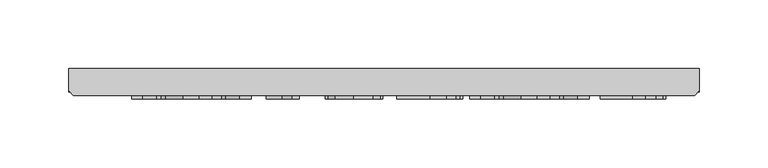
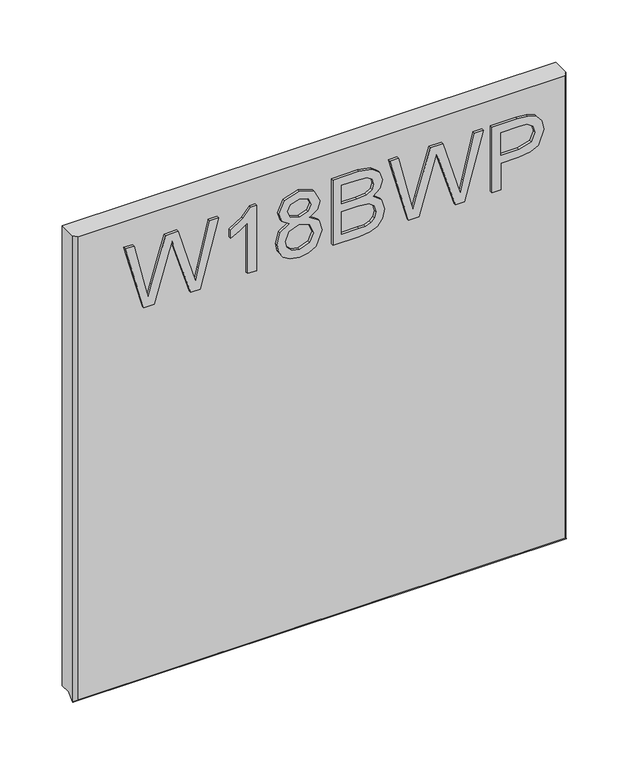
"""IFC4 building model written with IfcOpenShell, lengths in millimetres: furniture geometry."""

from ifc_helpers import new_model, si_unit, frame, origin, place, context, project, spatial, polyline, outline, extrude, faceted_brep, source, transform, mapped, element, save


def furniture_e4a24f8e(model_context):
    return source(origin(), model_context, "Body", "SolidModel", [
        extrude(outline(polyline([(873.55172, -70.8197895), (873.55172, -61.1952607), (921.3628904, -47.2568251), (929.6325097, -44.8584797), (922.7645208, -42.7248868), (873.55172, -27.4315417), (873.55172, -18.9127436), (937.3414769, -1.5013793), (937.3414769, -9.7242776), (895.0433862, -19.9094586), (882.4754336, -22.9307508), (905.8670876, -29.7675924), (937.3414769, -38.9560583), (937.3414769, -50.8076221), (893.9220818, -63.453443), (882.4754336, -66.7862087), (895.4171543, -69.9009429), (937.3414769, -79.9926818), (937.3414769, -88.2155801), (873.55172, -70.8197895)])), frame((0.0, -21.9273438, 0.0), z_axis=(0.0, 1.0, 0.0), x_axis=(0.0, 0.0, 1.0)), (0.0, 0.0, 1.0), 2.38125),
        extrude(outline(polyline([(873.55172, 33.383644), (937.3414769, 33.383644), (937.3414769, 28.2443326), (928.8538262, 21.1505254), (921.3940377, 9.4624852), (913.8563809, 9.4624852), (917.8821749, 17.8566939), (923.2628782, 25.4099244), (873.55172, 25.4099244), (873.55172, 33.383644)])), frame((0.0, -21.9273438, 0.0), z_axis=(0.0, 1.0, 0.0), x_axis=(0.0, 0.0, 1.0)), (0.0, 0.0, 1.0), 2.38125),
        extrude(outline(polyline([(908.6859221, 63.9391868), (902.8925164, 55.3425203), (892.3335674, 52.3212281), (884.5759325, 53.7617927), (878.2160345, 58.0834865), (873.9702624, 64.7568045), (872.555005, 73.2522421), (873.9644223, 81.7476797), (878.192674, 88.4209978), (892.115536, 94.1832561), (902.4330931, 91.2787665), (908.6859221, 82.7989025), (913.614989, 89.8615624), (921.1292853, 92.1898262), (932.6226546, 86.9570727), (937.3414769, 73.1432264), (932.7316703, 59.4539695), (921.3473167, 54.314658), (913.6383495, 56.6740692), (908.6859221, 63.9391868)]), holes=[polyline([(921.1137116, 62.2883777), (926.9382646, 65.16172), (929.3677573, 73.2522421), (926.8837568, 81.3194038), (920.7555172, 84.2161066), (914.8375222, 81.4128458), (912.4236031, 73.3456842), (914.8530958, 65.114999), (921.1137116, 62.2883777)]), polyline([(892.6138935, 60.2949478), (901.0703969, 63.6666476), (904.4498835, 73.0497844), (901.0236759, 82.7054605), (892.3647147, 86.2095365), (883.8692771, 82.8144762), (880.5287247, 73.3145368), (882.1172391, 66.3375322), (886.6102432, 61.6264966), (892.6138935, 60.2949478)])]), frame((0.0, -21.9273438, 0.0), z_axis=(0.0, 1.0, 0.0), x_axis=(0.0, 0.0, 1.0)), (0.0, 0.0, 1.0), 2.38125),
        extrude(outline(polyline([(873.55172, 104.1504057), (873.55172, 128.3051696), (874.6496638, 138.5292847), (877.8889874, 145.4673552), (883.9938665, 150.116096), (892.5671724, 151.9927234), (902.487601, 149.2439704), (908.4367433, 141.3870533), (914.0821991, 147.8579137), (921.5342007, 149.9992935), (929.6948044, 147.4529982), (935.4648496, 140.4136989), (937.3414769, 128.4920536), (937.3414769, 104.1504057), (873.55172, 104.1504057)]), holes=[polyline([(881.5254396, 112.1241253), (903.4531686, 112.1241253), (903.4531686, 127.6977964), (902.3863721, 137.5481434), (898.6876252, 142.492784), (892.4893041, 144.0190037), (887.1163876, 142.7186022), (883.5733774, 139.4014103), (881.836913, 134.394475), (881.5254396, 128.47648), (881.5254396, 112.1241253)]), polyline([(911.4268882, 112.1241253), (929.3677573, 112.1241253), (929.3677573, 125.5797771), (928.5345659, 135.8272527), (925.4587659, 140.4214857), (920.2571597, 142.0255738), (915.0633404, 140.3046832), (912.1121297, 135.1887322), (911.4268882, 126.6855078), (911.4268882, 112.1241253)])]), frame((0.0, -21.9273438, 0.0), z_axis=(0.0, 1.0, 0.0), x_axis=(0.0, 0.0, 1.0)), (0.0, 0.0, 1.0), 2.38125),
        extrude(outline(polyline([(873.55172, 174.3720888), (873.55172, 183.9966175), (921.3628904, 197.9350532), (929.6325097, 200.3333986), (922.7645208, 202.4669915), (873.55172, 217.7603365), (873.55172, 226.2791347), (937.3414769, 243.690499), (937.3414769, 235.4676006), (895.0433862, 225.2824197), (882.4754336, 222.2611275), (905.8670876, 215.4242859), (937.3414769, 206.2358199), (937.3414769, 194.3842562), (893.9220818, 181.7384352), (882.4754336, 178.4056696), (895.4171543, 175.2909354), (937.3414769, 165.1991965), (937.3414769, 156.9762981), (873.55172, 174.3720888)])), frame((0.0, -21.9273438, 0.0), z_axis=(0.0, 1.0, 0.0), x_axis=(0.0, 0.0, 1.0)), (0.0, 0.0, 1.0), 2.38125),
        extrude(outline(polyline([(873.55172, 251.6642186), (873.55172, 259.6379382), (899.4663088, 259.6379382), (899.4663088, 275.8501299), (900.875726, 287.1780289), (905.1039777, 294.3750117), (918.8866767, 299.5065363), (927.584572, 297.6065484), (933.7517457, 292.5840395), (936.7341038, 284.8361381), (937.3414769, 275.3050514), (937.3414769, 251.6642186), (873.55172, 251.6642186)]), holes=[polyline([(907.4400284, 259.6379382), (929.3677573, 259.6379382), (929.3677573, 276.1304559), (928.8226788, 284.1041756), (925.2095871, 289.4848789), (918.6063506, 291.5328167), (910.3678785, 288.059888), (907.4400284, 276.31734), (907.4400284, 259.6379382)])]), frame((0.0, -21.9273438, 0.0), z_axis=(0.0, 1.0, 0.0), x_axis=(0.0, 0.0, 1.0)), (0.0, 0.0, 1.0), 2.38125),
        faceted_brep([(323.5377049, 0.0, 962.45172), (-133.6622951, 0.0, 962.45172), (-133.6622951, -15.9900937, 962.45172), (-130.4872951, -19.5460937, 962.45172), (320.3627049, -19.5460937, 962.45172), (323.5377049, -15.9900937, 962.45172), (-133.6622951, 0.0, 512.7625), (323.5377049, 0.0, 512.7625), (323.5377049, -10.0210937, 512.7625), (-133.6622951, -10.0210937, 512.7625), (-133.6622951, -15.9392937, 506.8443), (-133.6622951, -16.3710938, 506.4125), (-133.6622951, -16.8028938, 506.8443), (-130.4872951, -19.5460937, 509.5875), (320.3627049, -19.5460937, 509.5875), (323.5377049, -15.9900937, 506.8443), (323.5377049, -16.8028938, 506.8443), (323.5377049, -16.3710938, 506.4125), (322.8119906, -16.8028938, 506.8443), (-132.9365808, -16.8028938, 506.8443)], [[[0, 1, 2, 3, 4, 5]], [[6, 7, 8, 9]], [[1, 6, 9, 10, 2]], [[10, 11, 12]], [[3, 13, 14, 4]], [[7, 0, 5, 15, 8]], [[16, 17, 15]], [[1, 0, 7, 6]], [[11, 17, 16, 18, 14, 13, 19, 12]], [[17, 11, 10, 9, 8, 15]], [[19, 10, 12]], [[15, 18, 16]], [[10, 19, 13, 3, 2]], [[18, 15, 5, 4, 14]]]),
    ])


if __name__ == "__main__":
    model = new_model("IFC4")
    model_context = context("Model", 3, world=origin())
    ifc_project = project(units=[si_unit("LENGTHUNIT", "METRE", prefix="MILLI")], contexts=[model_context])
    site = spatial("IfcSite", under=ifc_project)
    building = spatial("IfcBuilding", under=site)
    placement = place(None, origin())
    furniture_shape = furniture_e4a24f8e(model_context)
    element("IfcFurniture", 1, at=placement, inside=building, context=model_context, shape_type="MappedRepresentation", body=[
        mapped(furniture_shape, transform((0.0, 0.0, 0.0), x_axis=(1.0, 0.0, 0.0), y_axis=(0.0, 1.0, 0.0), z_axis=(0.0, 0.0, 1.0))),
    ])
    save(model, "model.ifc")
